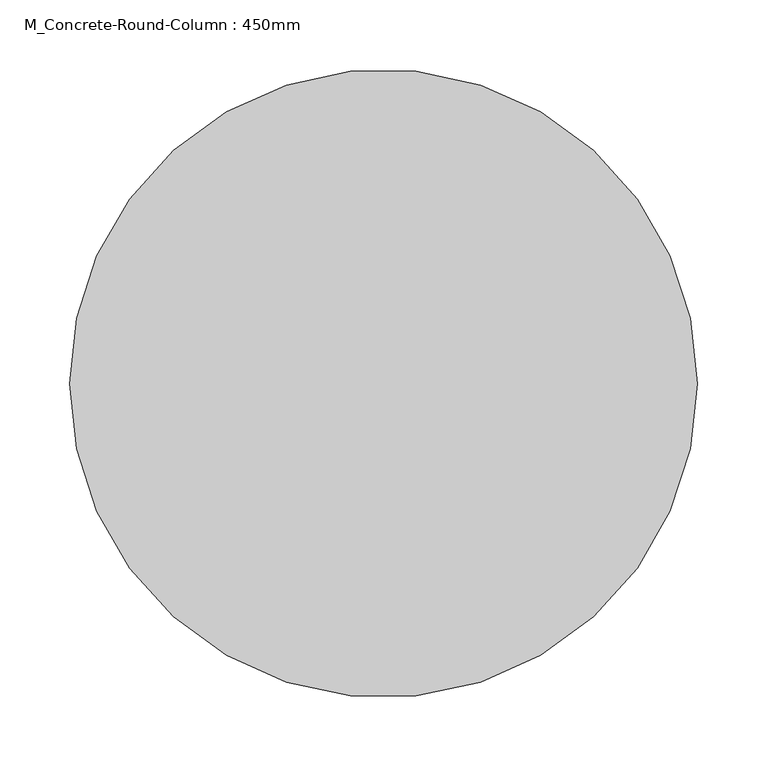
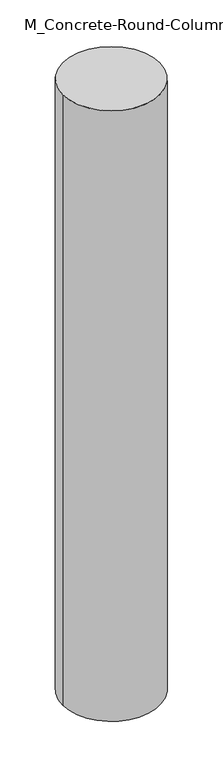
"""IFC4 building model written with IfcOpenShell, lengths in millimetres: column geometry, M_Concrete-Round-Column : 450mm."""

import ifcopenshell
import ifcopenshell.guid

model = None  # the IFC model being written
_history = None  # IfcOwnerHistory: only IFC2X3 demands one
_inside = {}  # id of a spatial element -> (the spatial element, [elements in it])
_under = {}  # id of a project, library or spatial element -> (it, [spatial elements below it])
_declared = {}  # id of a project -> (the project, [libraries it declares])
_typed = {}  # id of a type object -> (the type object, [elements of that type])
_made_of = {}  # id of a material, layer set ... -> (it, [elements and type objects made of it])


def new_model(schema):
    """Start an empty IFC model of exactly this schema.

    Asked for "IFC4X3", IfcOpenShell would pick the latest addendum, in which some entities
    have other attributes; the version numbers below select the first issue.
    IFC2X3 requires an IfcOwnerHistory on every rooted entity: one is made here for all.
    """
    global model, _history
    if schema == "IFC4X3":
        model = ifcopenshell.file(schema_version=(4, 3, 0, 0))
    else:
        model = ifcopenshell.file(schema=schema)
    _inside.clear()
    _under.clear()
    _declared.clear()
    _typed.clear()
    _made_of.clear()
    _history = None
    if model.schema == "IFC2X3":
        org = make("IfcOrganization", Name="unknown")
        user = make(
            "IfcPersonAndOrganization",
            ThePerson=make("IfcPerson", FamilyName="unknown"),
            TheOrganization=org,
        )
        app = make(
            "IfcApplication",
            ApplicationDeveloper=org,
            Version="unknown",
            ApplicationFullName="unknown",
            ApplicationIdentifier="unknown",
        )
        _history = make(
            "IfcOwnerHistory",
            OwningUser=user,
            OwningApplication=app,
            ChangeAction="ADDED",
            CreationDate=0,
        )
    return model


def make(cls, **values):
    """One entity of the class cls with the attributes given. An attribute that is None is left unset."""
    return model.create_entity(
        cls, **{name: value for name, value in values.items() if value is not None}
    )


def rooted(cls, **values):
    """An entity with a GlobalId (a new one), such as an element, a storey or a relation."""
    return make(cls, GlobalId=ifcopenshell.guid.new(), OwnerHistory=_history, **values)


def si_unit(unit_type, name, prefix=None):
    """IfcSIUnit, for example si_unit("LENGTHUNIT", "METRE", prefix="MILLI")."""
    return make("IfcSIUnit", UnitType=unit_type, Prefix=prefix, Name=name)


def assignment(units):
    """IfcUnitAssignment: the units of a project."""
    return None if units is None else make("IfcUnitAssignment", Units=units)


def point(xyz):
    """IfcCartesianPoint."""
    return None if xyz is None else make("IfcCartesianPoint", Coordinates=xyz)


def direction(xyz):
    """IfcDirection."""
    return None if xyz is None else make("IfcDirection", DirectionRatios=xyz)


def frame(location, z_axis=None, x_axis=None):
    """IfcAxis2Placement3D, a coordinate frame: its origin and axes. An axis left out is left unset."""
    return make(
        "IfcAxis2Placement3D",
        Location=point(location),
        Axis=direction(z_axis),
        RefDirection=direction(x_axis),
    )


def frame_2d(location, x_axis=None):
    """IfcAxis2Placement2D, a coordinate frame in the plane: its origin and x axis."""
    return make(
        "IfcAxis2Placement2D", Location=point(location), RefDirection=direction(x_axis)
    )


def origin():
    """The frame at (0, 0, 0) with its axes left unset."""
    return frame((0.0, 0.0, 0.0))


def origin_2d():
    """The frame at (0, 0) in the plane with its x axis left unset."""
    return frame_2d((0.0, 0.0))


def place(relative_to, where):
    """IfcLocalPlacement: puts the frame where relative to a parent placement (None: the world)."""
    return make(
        "IfcLocalPlacement", PlacementRelTo=relative_to, RelativePlacement=where
    )


def context(
    kind, dimensions, precision=None, world=None, true_north=None, identifier=None
):
    """IfcGeometricRepresentationContext, for example the 3D "Model" context."""
    return make(
        "IfcGeometricRepresentationContext",
        ContextIdentifier=identifier,
        ContextType=kind,
        CoordinateSpaceDimension=dimensions,
        Precision=precision,
        WorldCoordinateSystem=world,
        TrueNorth=true_north,
    )


def project(units=None, contexts=None):
    """IfcProject with its units and contexts."""
    return rooted(
        "IfcProject",
        Name="project",
        RepresentationContexts=contexts,
        UnitsInContext=assignment(units),
    )


def spatial(cls, under=None, at=None, **own):
    """A site, building, storey or space (cls), placed at a placement, below another one or the project."""
    s = rooted(cls, ObjectPlacement=at, **own)
    if under is not None:
        _under.setdefault(under.id(), (under, []))[1].append(s)
    return s


def circle_curve(where, radius):
    """IfcCircle in the frame where."""
    return make("IfcCircle", Position=where, Radius=radius)


def trimmed(basis, trim1, trim2, sense, master):
    """IfcTrimmedCurve: the piece of a basis curve between two trims."""
    return make(
        "IfcTrimmedCurve",
        BasisCurve=basis,
        Trim1=trim1,
        Trim2=trim2,
        SenseAgreement=sense,
        MasterRepresentation=master,
    )


def segment(curve, same_sense, transition):
    """IfcCompositeCurveSegment."""
    return make(
        "IfcCompositeCurveSegment",
        Transition=transition,
        SameSense=same_sense,
        ParentCurve=curve,
    )


def composite_curve(segments, self_intersect=None):
    """IfcCompositeCurve: segments joined end to end."""
    return make("IfcCompositeCurve", Segments=segments, SelfIntersect=self_intersect)


def outline(outer, holes=None, kind="AREA"):
    """IfcArbitraryClosedProfileDef: a profile drawn as a closed curve; with holes, ...WithVoids."""
    if holes is None:
        return make("IfcArbitraryClosedProfileDef", ProfileType=kind, OuterCurve=outer)
    return make(
        "IfcArbitraryProfileDefWithVoids",
        ProfileType=kind,
        OuterCurve=outer,
        InnerCurves=holes,
    )


def extrude(swept, where, along, depth):
    """IfcExtrudedAreaSolid: the profile swept, set in the frame where, extruded along a direction by depth."""
    return make(
        "IfcExtrudedAreaSolid",
        SweptArea=swept,
        Position=where,
        ExtrudedDirection=direction(along),
        Depth=depth,
    )


def shape(context_of_items, identifier, shape_type, items):
    """IfcShapeRepresentation: the items that make up one representation, for example the "Body"."""
    return make(
        "IfcShapeRepresentation",
        ContextOfItems=context_of_items,
        RepresentationIdentifier=identifier,
        RepresentationType=shape_type,
        Items=items,
    )


def source(mapping_origin, context_of_items, identifier, shape_type, items):
    """IfcRepresentationMap: a shape defined once, which mapped items show again and again."""
    return make(
        "IfcRepresentationMap",
        MappingOrigin=mapping_origin,
        MappedRepresentation=shape(context_of_items, identifier, shape_type, items),
    )


def transform(
    local_origin,
    x_axis=None,
    y_axis=None,
    z_axis=None,
    scale=None,
    scale2=None,
    scale3=None,
    uniform=True,
):
    """IfcCartesianTransformationOperator3D, or its non-uniform kind. x_axis, y_axis, z_axis: its Axis1, 2, 3."""
    if uniform:
        return make(
            "IfcCartesianTransformationOperator3D",
            Axis1=direction(x_axis),
            Axis2=direction(y_axis),
            LocalOrigin=point(local_origin),
            Scale=scale,
            Axis3=direction(z_axis),
        )
    return make(
        "IfcCartesianTransformationOperator3DnonUniform",
        Axis1=direction(x_axis),
        Axis2=direction(y_axis),
        LocalOrigin=point(local_origin),
        Scale=scale,
        Axis3=direction(z_axis),
        Scale2=scale2,
        Scale3=scale3,
    )


def mapped(mapping_source, mapping_target):
    """IfcMappedItem: shows the shape of a source again, moved by a transform."""
    return make(
        "IfcMappedItem", MappingSource=mapping_source, MappingTarget=mapping_target
    )


def made_of(thing, what):
    """Note that an element or type object is made of a material, layer set ...; save() writes the relation."""
    if what is not None:
        _made_of.setdefault(what.id(), (what, []))[1].append(thing)
    return thing


def element(
    cls,
    number,
    at=None,
    inside=None,
    cuts=None,
    type_object=None,
    material=None,
    context=None,
    identifier="Body",
    shape_type=None,
    held_by="IfcProductDefinitionShape",
    body=None,
    shapes=None,
    **own,
):
    """One element of the class cls, such as IfcWall. Its Tag is "e" and its number.

    at: its placement. inside: the storey or other place that contains it. cuts: it is an
    opening in that element (IfcRelVoidsElement). A single representation is given by context,
    identifier, shape_type and body (its items); several are given by shapes. held_by: the class
    of the entity that holds the representations. save() writes the other relations.
    """
    e = rooted(cls, Tag="e%d" % number, ObjectPlacement=at, **own)
    if body is not None:
        shapes = [shape(context, identifier, shape_type, body)]
    if shapes is not None:
        e.Representation = make(held_by, Representations=shapes)
    if inside is not None:
        _inside.setdefault(inside.id(), (inside, []))[1].append(e)
    if cuts is not None:
        rooted(
            "IfcRelVoidsElement", RelatingBuildingElement=cuts, RelatedOpeningElement=e
        )
    if type_object is not None:
        _typed.setdefault(type_object.id(), (type_object, []))[1].append(e)
    return made_of(e, material)


def aggregate(whole, parts):
    """IfcRelAggregates: a whole, such as a stair, and the parts it consists of."""
    return rooted("IfcRelAggregates", RelatingObject=whole, RelatedObjects=parts)


def save(model, path):
    """Write the relations noted so far, then the file.

    IfcRelAggregates (storeys below a building ...), IfcRelContainedInSpatialStructure (elements
    in a storey), IfcRelDefinesByType, IfcRelAssociatesMaterial and IfcRelDeclares: one each for
    every whole, place, type object, material and project.
    """
    for whole, parts in _under.values():
        aggregate(whole, parts)
    for where, things in _inside.values():
        rooted(
            "IfcRelContainedInSpatialStructure",
            RelatedElements=things,
            RelatingStructure=where,
        )
    for kind, things in _typed.values():
        rooted("IfcRelDefinesByType", RelatedObjects=things, RelatingType=kind)
    for what, things in _made_of.values():
        rooted("IfcRelAssociatesMaterial", RelatedObjects=things, RelatingMaterial=what)
    for by, libraries in _declared.values():
        rooted("IfcRelDeclares", RelatingContext=by, RelatedDefinitions=libraries)
    model.write(path)


def m_concrete_round_column_450mm_00055952(model_context):
    return source(origin(), model_context, "Body", "SweptSolid", [
        extrude(outline(composite_curve([segment(trimmed(circle_curve(origin_2d(), 225.0), [point((-225.0, 0.0))], [point((225.0, 0.0))], False, "CARTESIAN"), True, "CONTINUOUS"), segment(trimmed(circle_curve(origin_2d(), 225.0), [point((225.0, 0.0))], [point((-225.0, 0.0))], False, "CARTESIAN"), True, "CONTINUOUS")], self_intersect=False)), frame((0.0, 0.0, -50.0), z_axis=(0.0, 0.0, 1.0), x_axis=(1.0, 0.0, 0.0)), (0.0, 0.0, 1.0), 3000.0),
    ])


if __name__ == "__main__":
    model = new_model("IFC4")
    model_context = context("Model", 3, world=origin())
    ifc_project = project(units=[si_unit("LENGTHUNIT", "METRE", prefix="MILLI")], contexts=[model_context])
    site = spatial("IfcSite", under=ifc_project)
    building = spatial("IfcBuilding", under=site)
    placement = place(None, origin())
    m_concrete_round_column_450mm_shape = m_concrete_round_column_450mm_00055952(model_context)
    element("IfcColumn", 1, ObjectType="M_Concrete-Round-Column : 450mm", at=placement, inside=building, context=model_context, shape_type="MappedRepresentation", body=[
        mapped(m_concrete_round_column_450mm_shape, transform((0.0, 0.0, 0.0), x_axis=(1.0, 0.0, 0.0), y_axis=(0.0, 1.0, 0.0), z_axis=(0.0, 0.0, 1.0))),
    ])
    save(model, "model.ifc")
